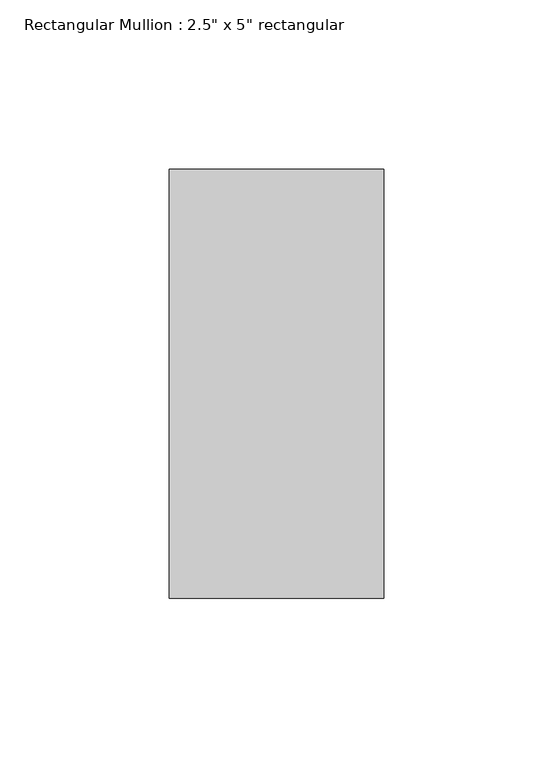
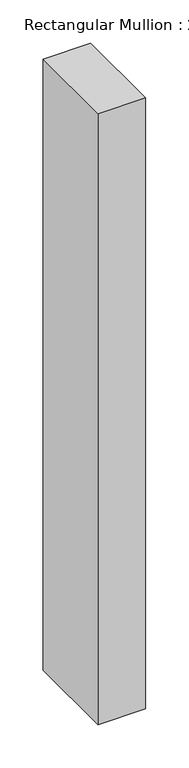
"""IFC4 building model written with IfcOpenShell, lengths in millimetres: member geometry."""

from ifc_helpers import new_model, si_unit, frame, origin, place, context, project, spatial, polyline, outline, extrude, source, transform, mapped, element, save


def member_b3bdbc5f(model_context):
    return source(origin(), model_context, "Body", "SweptSolid", [
        extrude(outline(polyline([(0.0, 63.5), (0.0, -63.5), (-63.5, -63.5), (-63.5, 63.5), (0.0, 63.5)])), frame((0.0, 0.0, -861.7857143), z_axis=(0.0, 0.0, 1.0), x_axis=(1.0, 0.0, 0.0)), (0.0, 0.0, 1.0), 861.7857143),
    ])


if __name__ == "__main__":
    model = new_model("IFC4")
    model_context = context("Model", 3, world=origin())
    ifc_project = project(units=[si_unit("LENGTHUNIT", "METRE", prefix="MILLI")], contexts=[model_context])
    site = spatial("IfcSite", under=ifc_project)
    building = spatial("IfcBuilding", under=site)
    placement = place(None, origin())
    member_shape = member_b3bdbc5f(model_context)
    element("IfcMember", 1, ObjectType="Rectangular Mullion : 2.5\" x 5\" rectangular", at=placement, inside=building, context=model_context, shape_type="MappedRepresentation", body=[
        mapped(member_shape, transform((0.0, 0.0, 0.0), x_axis=(1.0, 0.0, 0.0), y_axis=(0.0, 1.0, 0.0), z_axis=(0.0, 0.0, 1.0))),
    ])
    save(model, "model.ifc")
